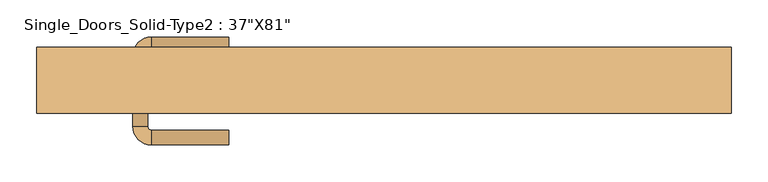
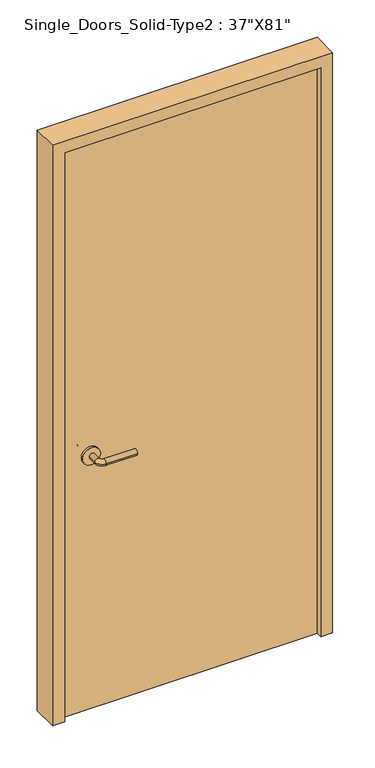
"""IFC4 building model written with IfcOpenShell, lengths in millimetres: door geometry."""

from ifc_helpers import new_model, si_unit, point, frame, frame_2d, origin, origin_with_axes, place, context, project, spatial, polyline, circle_curve, ellipse_curve, trimmed, segment, composite_curve, outline, extrude, source, transform, mapped, element, save
from ifc_brep_helpers import plane_surface, cylinder_surface, revolved_surface, advanced_brep


def door_368c73f8(model_context):
    return source(origin(), model_context, "Body", "SolidModel", [
        advanced_brep(
        [(-339.9, 3.55, 900.0), (-319.9, 3.55, 900.0), (-339.9, 33.55, 900.0), (-319.9, 33.55, 900.0), (-314.9, 38.55, 900.0), (-314.9, 58.55, 900.0), (-209.9, 58.55, 900.0), (-209.9, 38.55, 900.0)],
        [
            (0, 1, circle_curve(frame((-329.9, 3.55, 900.0), z_axis=(0.0, -1.0, 0.0), x_axis=(1.0, 0.0, 0.0)), 10.0)),
            (1, 0, circle_curve(frame((-329.9, 3.55, 900.0), z_axis=(0.0, -1.0, 0.0), x_axis=(1.0, 0.0, 0.0)), 10.0)),
            (0, 2),
            (2, 3, circle_curve(frame((-329.9, 33.55, 900.0), z_axis=(0.0, -1.0, 0.0), x_axis=(1.0, 0.0, 0.0)), 10.0)),
            (3, 1),
            (3, 2, circle_curve(frame((-329.9, 33.55, 900.0), z_axis=(0.0, -1.0, 0.0), x_axis=(1.0, 0.0, 0.0)), 10.0)),
            (4, 3, circle_curve(frame((-314.9, 33.55, 900.0), z_axis=(0.0, 0.0, 1.0), x_axis=(-1.0, 0.0, 0.0)), 5.0)),
            (2, 5, circle_curve(frame((-314.9, 33.55, 900.0), z_axis=(0.0, 0.0, -1.0), x_axis=(-1.0, 0.0, 0.0)), 25.0)),
            (5, 4, circle_curve(frame((-314.9, 48.55, 900.0), z_axis=(-1.0, 0.0, 0.0), x_axis=(0.0, -1.0, 0.0)), 10.0)),
            (4, 5, circle_curve(frame((-314.9, 48.55, 900.0), z_axis=(-1.0, 0.0, 0.0), x_axis=(0.0, -1.0, 0.0)), 10.0)),
            (6, 7, circle_curve(frame((-209.9, 48.55, 900.0), z_axis=(1.0, 0.0, 0.0), x_axis=(0.0, -1.0, 0.0)), 10.0)),
            (7, 6, circle_curve(frame((-209.9, 48.55, 900.0), z_axis=(1.0, 0.0, 0.0), x_axis=(0.0, -1.0, 0.0)), 10.0)),
            (5, 6),
            (7, 4),
        ],
        [
            plane_surface(frame((-329.9, 3.55, 900.0), z_axis=(0.0, -1.0, 0.0), x_axis=(0.0, 0.0, 1.0))),
            cylinder_surface(frame((-329.9, 3.55, 900.0), z_axis=(0.0, -1.0, 0.0), x_axis=(1.0, 0.0, 0.0)), 10.0),
            revolved_surface(trimmed(ellipse_curve(frame((-329.9, 33.55, 900.0), z_axis=(0.0, -1.0, 0.0), x_axis=(1.0, 0.0, 0.0)), 10.0, 10.0), [point((-339.9, 33.55, 900.0))], [point((-319.9, 33.55, 900.0))], True, "CARTESIAN"), (-314.9, 33.55, 900.0), (0.0, 0.0, -1.0)),
            revolved_surface(trimmed(ellipse_curve(frame((-329.9, 33.55, 900.0), z_axis=(0.0, -1.0, 0.0), x_axis=(1.0, 0.0, 0.0)), 10.0, 10.0), [point((-319.9, 33.55, 900.0))], [point((-339.9, 33.55, 900.0))], True, "CARTESIAN"), (-314.9, 33.55, 900.0), (0.0, 0.0, -1.0)),
            plane_surface(frame((-209.9, 48.55, 900.0), z_axis=(1.0, 0.0, 0.0), x_axis=(0.0, 0.0, 1.0))),
            cylinder_surface(frame((-314.9, 48.55, 900.0), z_axis=(-1.0, 0.0, 0.0), x_axis=(0.0, -1.0, 0.0)), 10.0),
        ],
        [
            (0, [[1, 2]]),
            (1, [[-1, 3, 4, 5]]),
            (1, [[-2, -5, 6, -3]]),
            (2, [[7, -4, 8, 9]]),
            (3, [[-8, -6, -7, 10]]),
            (4, [[11, 12]]),
            (5, [[-9, 13, -12, 14]]),
            (5, [[-10, -14, -11, -13]]),
        ],
    ),
        extrude(outline(composite_curve([segment(trimmed(circle_curve(frame_2d((900.0, -332.4)), 30.0), [point((900.0, -362.4))], [point((900.0, -302.4))], False, "CARTESIAN"), True, "CONTINUOUS"), segment(trimmed(circle_curve(frame_2d((900.0, -332.4)), 30.0), [point((900.0, -302.4))], [point((900.0, -362.4))], False, "CARTESIAN"), True, "CONTINUOUS")], self_intersect=False)), frame((0.0, -4.45, 0.0), z_axis=(0.0, 1.0, 0.0), x_axis=(0.0, 0.0, 1.0)), (0.0, 0.0, 1.0), 8.0),
        advanced_brep(
        [(-339.9, -32.45, 900.0), (-319.9, -32.45, 900.0), (-319.9, -62.45, 900.0), (-339.9, -62.45, 900.0), (-314.9, -67.45, 900.0), (-314.9, -87.45, 900.0), (-209.9, -87.45, 900.0), (-209.9, -67.45, 900.0)],
        [
            (0, 1, circle_curve(frame((-329.9, -32.45, 900.0), z_axis=(0.0, 1.0, 0.0), x_axis=(1.0, 0.0, 0.0)), 10.0)),
            (1, 0, circle_curve(frame((-329.9, -32.45, 900.0), z_axis=(0.0, 1.0, 0.0), x_axis=(1.0, 0.0, 0.0)), 10.0)),
            (1, 2),
            (2, 3, circle_curve(frame((-329.9, -62.45, 900.0), z_axis=(0.0, 1.0, 0.0), x_axis=(1.0, 0.0, 0.0)), 10.0)),
            (3, 0),
            (3, 2, circle_curve(frame((-329.9, -62.45, 900.0), z_axis=(0.0, 1.0, 0.0), x_axis=(1.0, 0.0, 0.0)), 10.0)),
            (4, 5, circle_curve(frame((-314.9, -77.45, 900.0), z_axis=(-1.0, 0.0, 0.0), x_axis=(0.0, 1.0, 0.0)), 10.0)),
            (5, 3, circle_curve(frame((-314.9, -62.45, 900.0), z_axis=(0.0, 0.0, -1.0), x_axis=(-1.0, 0.0, 0.0)), 25.0)),
            (2, 4, circle_curve(frame((-314.9, -62.45, 900.0), z_axis=(0.0, 0.0, 1.0), x_axis=(-1.0, 0.0, 0.0)), 5.0)),
            (5, 4, circle_curve(frame((-314.9, -77.45, 900.0), z_axis=(-1.0, 0.0, 0.0), x_axis=(0.0, 1.0, 0.0)), 10.0)),
            (6, 7, circle_curve(frame((-209.9, -77.45, 900.0), z_axis=(1.0, 0.0, 0.0), x_axis=(0.0, 1.0, 0.0)), 10.0)),
            (7, 6, circle_curve(frame((-209.9, -77.45, 900.0), z_axis=(1.0, 0.0, 0.0), x_axis=(0.0, 1.0, 0.0)), 10.0)),
            (4, 7),
            (6, 5),
        ],
        [
            plane_surface(frame((-329.9, -32.45, 900.0), z_axis=(0.0, 1.0, 0.0), x_axis=(0.0, 0.0, 1.0))),
            cylinder_surface(frame((-329.9, -32.45, 900.0), z_axis=(0.0, 1.0, 0.0), x_axis=(1.0, 0.0, 0.0)), 10.0),
            revolved_surface(trimmed(ellipse_curve(frame((-329.9, -62.45, 900.0), z_axis=(0.0, -1.0, 0.0), x_axis=(1.0, 0.0, 0.0)), 10.0, 10.0), [point((-339.9, -62.45, 900.0))], [point((-319.9, -62.45, 900.0))], True, "CARTESIAN"), (-314.9, -62.45, 900.0), (0.0, 0.0, -1.0)),
            revolved_surface(trimmed(ellipse_curve(frame((-329.9, -62.45, 900.0), z_axis=(0.0, -1.0, 0.0), x_axis=(1.0, 0.0, 0.0)), 10.0, 10.0), [point((-319.9, -62.45, 900.0))], [point((-339.9, -62.45, 900.0))], True, "CARTESIAN"), (-314.9, -62.45, 900.0), (0.0, 0.0, -1.0)),
            plane_surface(frame((-209.9, -77.45, 900.0), z_axis=(1.0, 0.0, 0.0), x_axis=(0.0, 0.0, 1.0))),
            cylinder_surface(frame((-314.9, -77.45, 900.0), z_axis=(-1.0, 0.0, 0.0), x_axis=(0.0, 1.0, 0.0)), 10.0),
        ],
        [
            (0, [[1, 2]]),
            (1, [[3, 4, 5, -2]]),
            (1, [[-5, 6, -3, -1]]),
            (2, [[7, 8, -4, 9]]),
            (3, [[10, -9, -6, -8]]),
            (4, [[11, 12]]),
            (5, [[13, -11, 14, -7]]),
            (5, [[-14, -12, -13, -10]]),
        ],
    ),
        extrude(outline(composite_curve([segment(trimmed(circle_curve(frame_2d((900.0, -332.4)), 30.0), [point((900.0, -362.4))], [point((900.0, -302.4))], False, "CARTESIAN"), True, "CONTINUOUS"), segment(trimmed(circle_curve(frame_2d((900.0, -332.4)), 30.0), [point((900.0, -302.4))], [point((900.0, -362.4))], False, "CARTESIAN"), True, "CONTINUOUS")], self_intersect=False)), frame((0.0, -32.45, 0.0), z_axis=(0.0, 1.0, 0.0), x_axis=(0.0, 0.0, 1.0)), (0.0, 0.0, 1.0), 8.0),
        extrude(outline(polyline([(0.0, -429.9), (2017.4, -429.9), (2017.4, 429.9), (0.0, 429.9), (0.0, 469.9), (2057.4, 469.9), (2057.4, -469.9), (0.0, -469.9), (0.0, -429.9)])), frame((0.0, -44.45, 0.0), z_axis=(0.0, 1.0, 0.0), x_axis=(0.0, 0.0, 1.0)), (0.0, 0.0, 1.0), 88.9),
        extrude(outline(polyline([(429.9, -4.45), (429.9, -24.45), (-429.9, -24.45), (-429.9, -4.45), (429.9, -4.45)])), origin_with_axes(), (0.0, 0.0, 1.0), 2017.4),
    ])


if __name__ == "__main__":
    model = new_model("IFC4")
    model_context = context("Model", 3, world=origin())
    ifc_project = project(units=[si_unit("LENGTHUNIT", "METRE", prefix="MILLI")], contexts=[model_context])
    site = spatial("IfcSite", under=ifc_project)
    building = spatial("IfcBuilding", under=site)
    placement = place(None, origin())
    door_shape = door_368c73f8(model_context)
    element("IfcDoor", 1, ObjectType="Single_Doors_Solid-Type2 : 37\"X81\"", at=placement, inside=building, context=model_context, shape_type="MappedRepresentation", body=[
        mapped(door_shape, transform((0.0, 0.0, 0.0), x_axis=(1.0, 0.0, 0.0), y_axis=(0.0, 1.0, 0.0), z_axis=(0.0, 0.0, 1.0))),
    ])
    save(model, "model.ifc")
